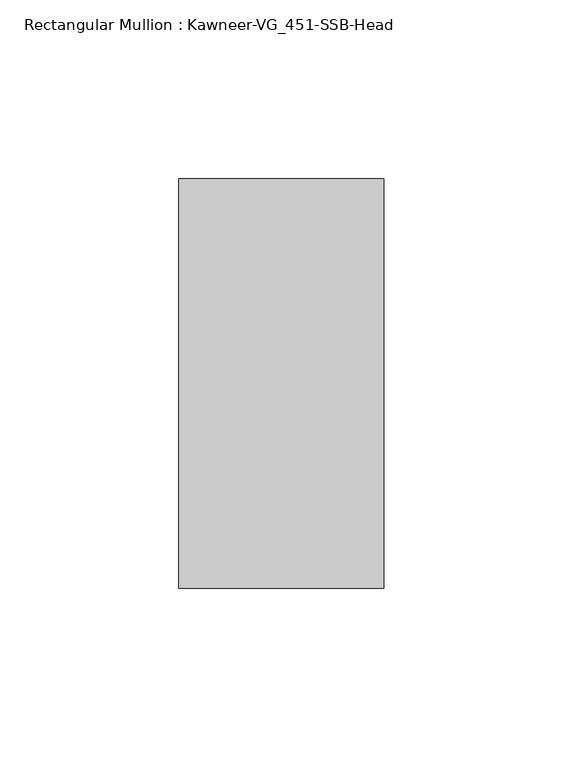
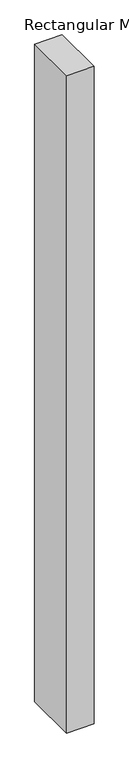
"""IFC4 building model written with IfcOpenShell, lengths in millimetres: member geometry, Rectangular Mullion : Kawneer-VG_451-SSB-Head."""

from ifc_helpers import new_model, si_unit, frame, origin, place, context, project, spatial, polyline, outline, extrude, source, transform, mapped, element, save


def rectangular_mullion_kawneer_vg_451_ssb_head_cba95f74(model_context):
    return source(origin(), model_context, "Body", "SweptSolid", [
        extrude(outline(polyline([(-57.15, -57.15), (-57.15, 57.15), (0.0, 57.15), (0.0, -57.15), (-57.15, -57.15)])), frame((0.0, 0.0, -1443.0375), z_axis=(0.0, 0.0, 1.0), x_axis=(1.0, 0.0, 0.0)), (0.0, 0.0, 1.0), 1443.0375),
    ])


if __name__ == "__main__":
    model = new_model("IFC4")
    model_context = context("Model", 3, world=origin())
    ifc_project = project(units=[si_unit("LENGTHUNIT", "METRE", prefix="MILLI")], contexts=[model_context])
    site = spatial("IfcSite", under=ifc_project)
    building = spatial("IfcBuilding", under=site)
    placement = place(None, origin())
    rectangular_mullion_kawneer_vg_451_ssb_head_shape = rectangular_mullion_kawneer_vg_451_ssb_head_cba95f74(model_context)
    element("IfcMember", 1, ObjectType="Rectangular Mullion : Kawneer-VG_451-SSB-Head", at=placement, inside=building, context=model_context, shape_type="MappedRepresentation", body=[
        mapped(rectangular_mullion_kawneer_vg_451_ssb_head_shape, transform((0.0, 0.0, 0.0), x_axis=(1.0, 0.0, 0.0), y_axis=(0.0, 1.0, 0.0), z_axis=(0.0, 0.0, 1.0))),
    ])
    save(model, "model.ifc")
